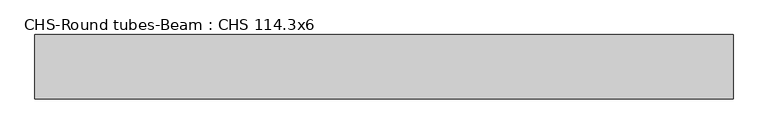
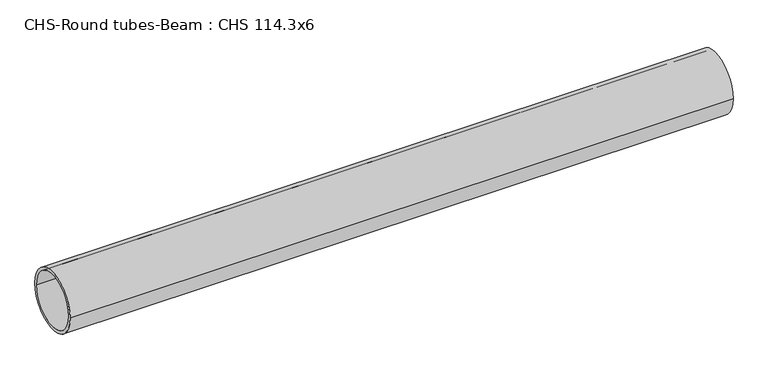
"""IFC4 building model written with IfcOpenShell, lengths in millimetres: beam geometry, CHS-Round tubes-Beam : CHS 114.3x6."""

from ifc_helpers import new_model, si_unit, point, frame, origin, origin_2d, place, context, project, spatial, circle_curve, trimmed, segment, composite_curve, outline, extrude, source, transform, mapped, element, save


def chs_round_tubes_beam_chs_114_3x6_2aa56bbb(model_context):
    return source(origin(), model_context, "Body", "SweptSolid", [
        extrude(outline(composite_curve([segment(trimmed(circle_curve(origin_2d(), 57.15), [point((57.15, 0.0))], [point((-57.15, 0.0))], False, "CARTESIAN"), True, "CONTINUOUS"), segment(trimmed(circle_curve(origin_2d(), 57.15), [point((-57.15, 0.0))], [point((57.15, 0.0))], False, "CARTESIAN"), True, "CONTINUOUS")], self_intersect=False), holes=[composite_curve([segment(trimmed(circle_curve(origin_2d(), 51.15), [point((51.15, 0.0))], [point((-51.15, 0.0))], True, "CARTESIAN"), True, "CONTINUOUS"), segment(trimmed(circle_curve(origin_2d(), 51.15), [point((-51.15, 0.0))], [point((51.15, 0.0))], True, "CARTESIAN"), True, "CONTINUOUS")], self_intersect=False)]), frame((-619.9979739, 0.0, 0.0), z_axis=(1.0, 0.0, 0.0), x_axis=(0.0, 1.0, 0.0)), (0.0, 0.0, 1.0), 1239.9932673),
    ])


if __name__ == "__main__":
    model = new_model("IFC4")
    model_context = context("Model", 3, world=origin())
    ifc_project = project(units=[si_unit("LENGTHUNIT", "METRE", prefix="MILLI")], contexts=[model_context])
    site = spatial("IfcSite", under=ifc_project)
    building = spatial("IfcBuilding", under=site)
    placement = place(None, origin())
    chs_round_tubes_beam_chs_114_3x6_shape = chs_round_tubes_beam_chs_114_3x6_2aa56bbb(model_context)
    element("IfcBeam", 1, ObjectType="CHS-Round tubes-Beam : CHS 114.3x6", at=placement, inside=building, context=model_context, shape_type="MappedRepresentation", body=[
        mapped(chs_round_tubes_beam_chs_114_3x6_shape, transform((0.0, 0.0, 0.0), x_axis=(1.0, 0.0, 0.0), y_axis=(0.0, 1.0, 0.0), z_axis=(0.0, 0.0, 1.0))),
    ])
    save(model, "model.ifc")
